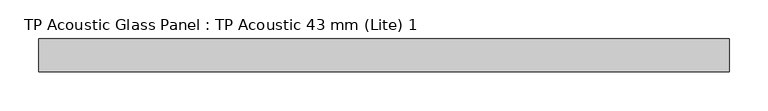
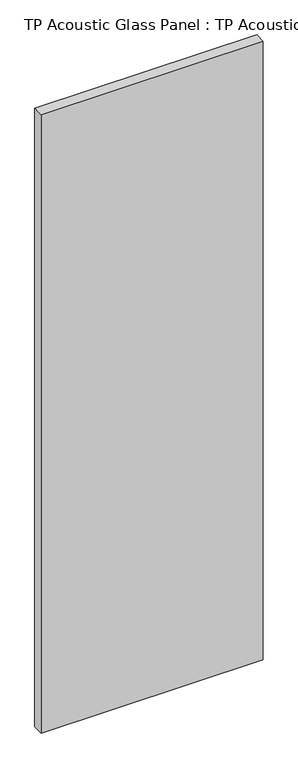
"""IFC4 building model written with IfcOpenShell, lengths in millimetres: plate geometry, TP Acoustic Glass Panel : TP Acoustic 43 mm (Lite) 1."""

from ifc_helpers import new_model, si_unit, origin, origin_with_axes, place, context, project, spatial, polyline, outline, extrude, source, transform, mapped, element, save


def tp_acoustic_glass_panel_tp_acoustic_43_mm_lite_1_11556de9(model_context):
    return source(origin(), model_context, "Body", "SweptSolid", [
        extrude(outline(polyline([(446.5, 21.5), (446.5, -21.5), (-446.5, -21.5), (-446.5, 21.5), (446.5, 21.5)])), origin_with_axes(), (0.0, 0.0, 1.0), 2628.0),
    ])


if __name__ == "__main__":
    model = new_model("IFC4")
    model_context = context("Model", 3, world=origin())
    ifc_project = project(units=[si_unit("LENGTHUNIT", "METRE", prefix="MILLI")], contexts=[model_context])
    site = spatial("IfcSite", under=ifc_project)
    building = spatial("IfcBuilding", under=site)
    placement = place(None, origin())
    tp_acoustic_glass_panel_tp_acoustic_43_mm_lite_1_shape = tp_acoustic_glass_panel_tp_acoustic_43_mm_lite_1_11556de9(model_context)
    element("IfcPlate", 1, ObjectType="TP Acoustic Glass Panel : TP Acoustic 43 mm (Lite) 1", at=placement, inside=building, context=model_context, shape_type="MappedRepresentation", body=[
        mapped(tp_acoustic_glass_panel_tp_acoustic_43_mm_lite_1_shape, transform((0.0, 0.0, 0.0), x_axis=(1.0, 0.0, 0.0), y_axis=(0.0, 1.0, 0.0), z_axis=(0.0, 0.0, 1.0))),
    ])
    save(model, "model.ifc")
